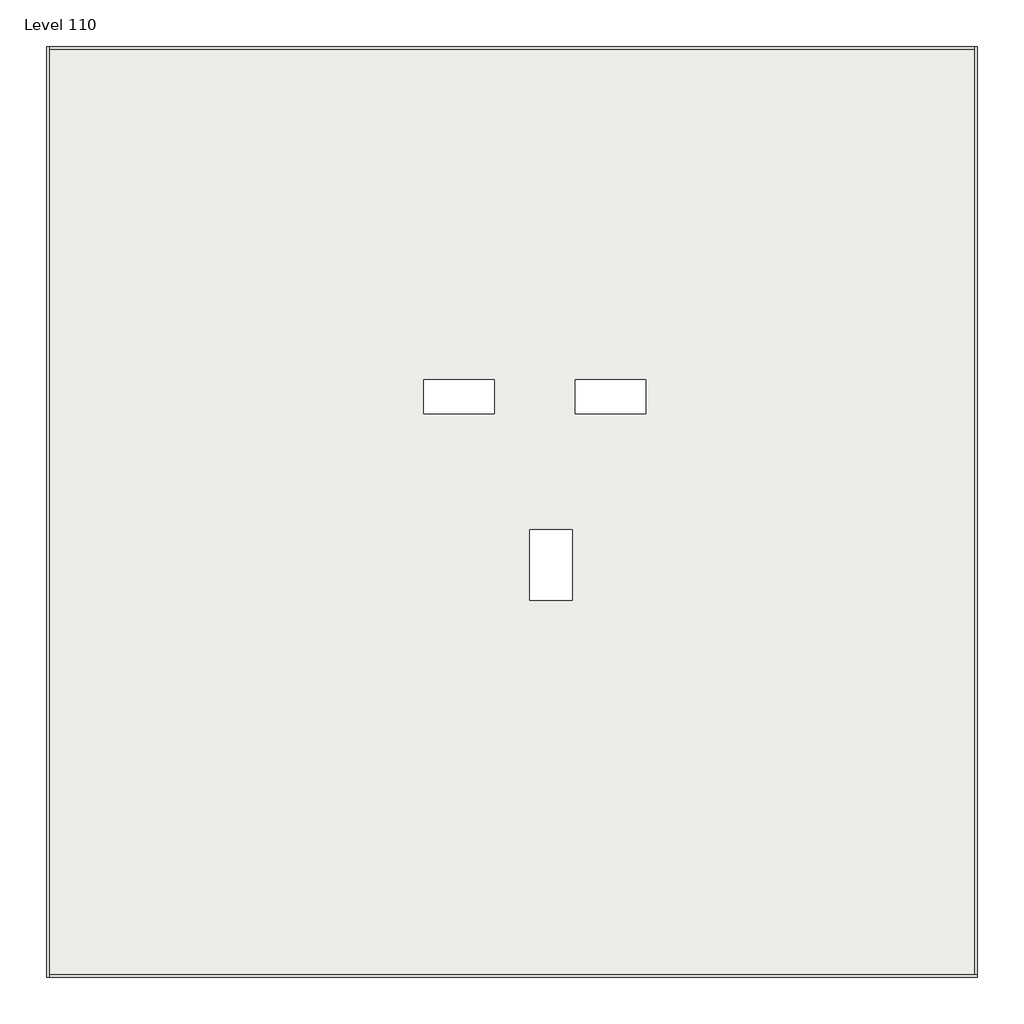
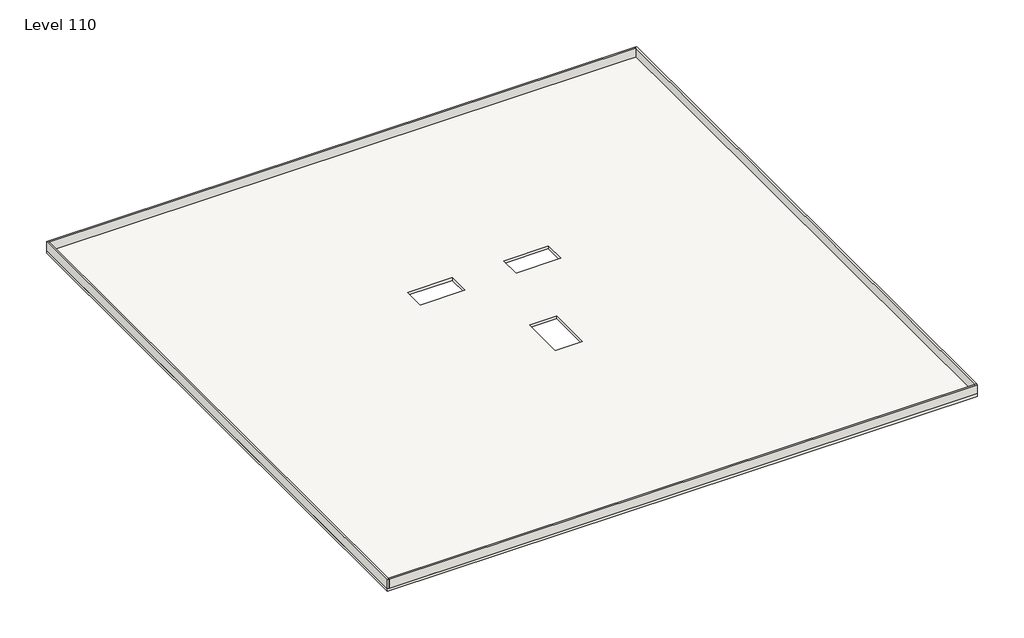
# One storey: 4 walls, 1 slab.
"""IFC4 building model written with IfcOpenShell, lengths in millimetres."""

from ifc_helpers import new_model, si_unit, frame, origin, place, context, project, spatial, polyline, outline, extrude, faceted_brep, element, save

model = new_model("IFC4")

# Units and contexts
model_context = context("Model", 3, world=origin())
ifc_project = project(units=[si_unit("LENGTHUNIT", "METRE", prefix="MILLI")], contexts=[model_context])

# Site, building, storey
site = spatial("IfcSite", under=ifc_project)
building = spatial("IfcBuilding", under=site)
storey = spatial("IfcBuildingStorey", under=building, Name="Level 110", Elevation=414200.0)

# Slab
placement = place(None, origin())
element("IfcSlab", 1, ObjectType="Roof 1", at=placement, inside=storey, context=model_context, shape_type="SweptSolid", body=[
    extrude(outline(polyline([(55890.1058784, -5518.09644), (55890.1058784, -68918.09644), (-7509.8941216, -68918.09644), (-7509.8941216, -5518.09644), (55890.1058784, -5518.09644)]), holes=[polyline([(28290.1058784, -43218.09644), (28290.1058784, -38418.09644), (25390.1058784, -38418.09644), (25390.1058784, -43218.09644), (28290.1058784, -43218.09644)]), polyline([(22990.1058784, -30518.09644), (22990.1058784, -28218.09644), (18190.1058784, -28218.09644), (18190.1058784, -30518.09644), (22990.1058784, -30518.09644)]), polyline([(33290.1058784, -30518.09644), (33290.1058784, -28218.09644), (28490.1058784, -28218.09644), (28490.1058784, -30518.09644), (33290.1058784, -30518.09644)])]), frame((0.0, 0.0, 413900.0), z_axis=(0.0, 0.0, 1.0), x_axis=(1.0, 0.0, 0.0)), (0.0, 0.0, 1.0), 300.0),
])

# Walls
element("IfcWall", 2, at=placement, inside=storey, context=model_context, shape_type="Brep", body=[
    faceted_brep([(-7509.8941216, -5518.09644, 414200.0), (-7509.8941216, -68918.09644, 414200.0), (-7509.8941216, -68918.09644, 415200.0), (-7509.8941216, -5518.09644, 415200.0), (-7309.8941216, -5518.09644, 414200.0), (-7309.8941216, -5518.09644, 415200.0), (-7309.8941216, -5718.09644, 415200.0), (-7309.8941216, -68718.09644, 415200.0), (-7309.8941216, -68918.09644, 415200.0), (-7309.8941216, -68918.09644, 414200.0), (-7309.8941216, -68718.09644, 414200.0), (-7309.8941216, -5718.09644, 414200.0)], [[[0, 1, 2, 3]], [[4, 5, 6, 7, 8, 9, 10, 11]], [[1, 0, 4, 11, 10, 9]], [[3, 2, 8, 7, 6, 5]], [[2, 1, 9, 8]], [[0, 3, 5, 4]]]),
])
element("IfcWall", 3, at=placement, inside=storey, context=model_context, shape_type="Brep", body=[
    faceted_brep([(-7309.8941216, -68918.09644, 414200.0), (55890.1058784, -68918.09644, 414200.0), (55890.1058784, -68918.09644, 415200.0), (-7309.8941216, -68918.09644, 415200.0), (-7309.8941216, -68718.09644, 414200.0), (-7309.8941216, -68718.09644, 415200.0), (55690.1058784, -68718.09644, 415200.0), (55890.1058784, -68718.09644, 415200.0), (55890.1058784, -68718.09644, 414200.0), (55690.1058784, -68718.09644, 414200.0)], [[[0, 1, 2, 3]], [[4, 5, 6, 7, 8, 9]], [[1, 0, 4, 9, 8]], [[3, 2, 7, 6, 5]], [[0, 3, 5, 4]], [[2, 1, 8, 7]]]),
])
element("IfcWall", 4, at=placement, inside=storey, context=model_context, shape_type="Brep", body=[
    faceted_brep([(55890.1058784, -68718.09644, 414200.0), (55890.1058784, -5518.09644, 414200.0), (55890.1058784, -5518.09644, 415200.0), (55890.1058784, -68718.09644, 415200.0), (55690.1058784, -68718.09644, 414200.0), (55690.1058784, -68718.09644, 415200.0), (55690.1058784, -5718.09644, 415200.0), (55690.1058784, -5518.09644, 415200.0), (55690.1058784, -5518.09644, 414200.0), (55690.1058784, -5718.09644, 414200.0)], [[[0, 1, 2, 3]], [[4, 5, 6, 7, 8, 9]], [[1, 0, 4, 9, 8]], [[3, 2, 7, 6, 5]], [[0, 3, 5, 4]], [[2, 1, 8, 7]]]),
])
element("IfcWall", 5, at=placement, inside=storey, context=model_context, shape_type="SweptSolid", body=[
    extrude(outline(polyline([(-7309.8941216, -5518.09644), (55690.1058784, -5518.09644), (55690.1058784, -5718.09644), (-7309.8941216, -5718.09644), (-7309.8941216, -5518.09644)])), frame((0.0, 0.0, 414200.0), z_axis=(0.0, 0.0, 1.0), x_axis=(1.0, 0.0, 0.0)), (0.0, 0.0, 1.0), 1000.0),
])

save(model, "model.ifc")
